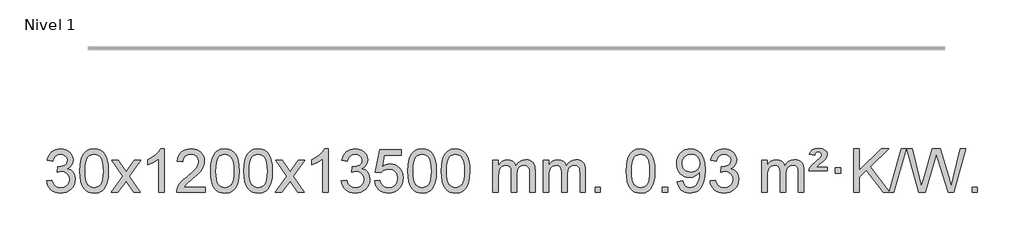
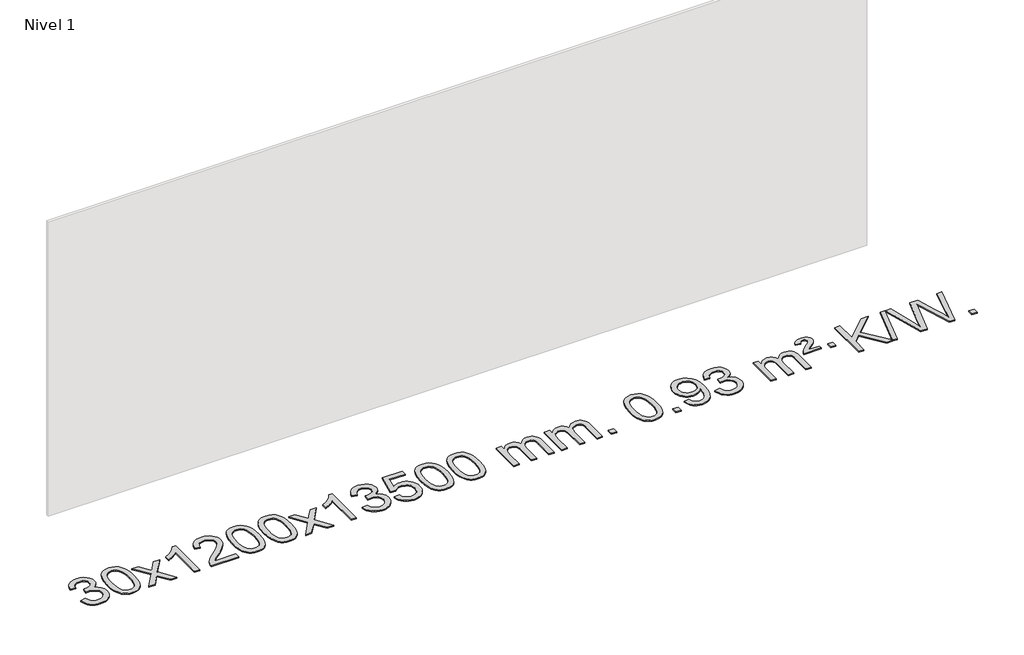
# One storey, part 18 of 18: 1 proxy.
"""IFC4 building model written with IfcOpenShell, lengths in millimetres."""

from ifc_helpers import new_model, si_unit, origin, origin_with_axes, place, context, project, spatial, polyline, outline, extrude, element, save

model = new_model("IFC4")

# Units and contexts
model_context = context("Model", 3, world=origin())
ifc_project = project(units=[si_unit("LENGTHUNIT", "METRE", prefix="MILLI")], contexts=[model_context])

# Site, building, storey
site = spatial("IfcSite", under=ifc_project)
building = spatial("IfcBuilding", under=site)
storey = spatial("IfcBuildingStorey", under=building, Name="Nivel 1", Elevation=0.0)

# Proxy
placement = place(None, origin())
element("IfcBuildingElementProxy", 1, Name="Texto de modelo 1", ObjectType="Texto de modelo 1", at=placement, inside=storey, context=model_context, shape_type="SweptSolid", body=[
    extrude(outline(polyline([(-617.6408852, 5740.1553765), (-567.4127301, 5746.4338959), (-556.1678038, 5714.8696207), (-539.6989532, 5693.5569905), (-517.1968378, 5681.4168846), (-487.8521173, 5677.3701827), (-453.4183626, 5682.9374636), (-439.1445412, 5689.8965646), (-426.832757, 5699.6393061), (-409.8366089, 5724.5571799), (-404.1712261, 5754.7725545), (-409.7875579, 5783.4550874), (-426.6365533, 5806.7174922), (-452.1430383, 5822.1317478), (-483.731839, 5827.269833), (-518.9504086, 5821.7761285), (-513.3586023, 5872.0042836), (-505.3142494, 5871.4156724), (-475.2215021, 5875.020916), (-448.3170656, 5885.8366466), (-437.2438175, 5894.0158897), (-429.3343546, 5904.1326445), (-424.5886769, 5916.1869112), (-423.0067843, 5930.1786898), (-427.5930465, 5951.8714648), (-441.3518331, 5969.4684869), (-462.3456323, 5981.1303461), (-488.6369322, 5985.0176325), (-514.9772831, 5981.0935579), (-536.5106425, 5969.3213341), (-552.2314665, 5949.700961), (-561.1342108, 5922.2324387), (-611.3623658, 5928.5109581), (-605.4088089, 5952.4907328), (-596.5735096, 5973.6132907), (-584.8564681, 5991.8786317), (-570.2576842, 6007.286756), (-553.2370106, 6019.5188323), (-534.2542996, 6028.2560297), (-513.3095514, 6033.4983481), (-490.4027658, 6035.2457876), (-458.8262279, 6031.7999596), (-429.8248639, 6021.4624755), (-405.372974, 6005.1530404), (-387.4448581, 5983.7913592), (-376.4451864, 5959.1800537), (-372.7786292, 5933.1217457), (-376.2612454, 5908.8415341), (-386.7090941, 5886.8176653), (-403.9750224, 5868.0556835), (-427.9118776, 5853.5611329), (-396.4702297, 5840.8569414), (-373.1710367, 5819.22548), (-358.7500625, 5789.8439714), (-353.9430711, 5753.8896377), (-356.3465668, 5728.4076782), (-363.5570539, 5704.9368069), (-375.5745324, 5683.4770238), (-392.3990023, 5664.028329), (-412.8961608, 5647.8905722), (-435.9317051, 5636.363603), (-461.5056351, 5629.4474215), (-489.6179509, 5627.1420276), (-515.026334, 5629.1101963), (-538.1783743, 5635.0147023), (-559.0740716, 5644.8555457), (-577.713426, 5658.6327264), (-593.3422794, 5675.5369041), (-605.2064738, 5694.7587383), (-613.306009, 5716.2982292), (-617.6408852, 5740.1553765)])), origin_with_axes(), (0.0, 0.0, 1.0), 10.0),
    extrude(outline(polyline([(-309.9934354, 5831.0958057), (-306.3023527, 5895.4138412), (-295.2291046, 5946.7088541), (-276.8840558, 5985.7656593), (-265.0259928, 6000.9990395), (-251.3775708, 6013.3690716), (-235.8928045, 6022.9401349), (-218.5257086, 6029.7766086), (-178.1445283, 6035.2457876), (-147.1933898, 6032.008426), (-119.4796128, 6022.2963414), (-96.3030471, 6006.4896783), (-78.9635424, 5984.9685816), (-65.8669434, 5957.9169922), (-55.4190947, 5925.5188512), (-48.5764896, 5884.3773814), (-46.2956212, 5831.0958057), (-49.9499157, 5767.1456523), (-60.9127992, 5715.9732667), (-79.1474834, 5676.8796734), (-90.9779552, 5661.6003078), (-104.6171802, 5649.1658964), (-120.1203406, 5639.5304538), (-137.5426188, 5632.6479948), (-178.1445283, 5627.1420276), (-205.8092543, 5629.5332606), (-230.3347207, 5636.7069595), (-251.7209273, 5648.6631243), (-269.9678743, 5665.4017551), (-287.4790573, 5695.6600492), (-299.9870451, 5733.3618224), (-307.4918378, 5778.5070745), (-309.9934354, 5831.0958057)]), holes=[polyline([(-259.7652803, 5831.1939076), (-258.2937523, 5787.5293805), (-253.8791684, 5752.1851178), (-246.5215285, 5725.1611196), (-236.2208326, 5706.4573858), (-223.7618957, 5693.7317344), (-209.9295327, 5684.6419835), (-194.7237436, 5679.1881329), (-178.1445283, 5677.3701827), (-161.5653131, 5679.1942643), (-146.3595239, 5684.6665089), (-132.5271609, 5693.7869167), (-120.068224, 5706.5554876), (-109.7675281, 5725.2898783), (-102.4098882, 5752.3077451), (-97.9953043, 5787.6090882), (-96.5237763, 5831.1939076), (-97.9462534, 5873.7026722), (-102.2136845, 5908.4246011), (-109.3260697, 5935.3596945), (-119.2834091, 5954.5079524), (-131.5338795, 5967.8559375), (-145.5256581, 5977.3902125), (-161.2587447, 5983.1107775), (-178.7331395, 5985.0176325), (-195.2265156, 5983.3376381), (-210.1747874, 5978.2976548), (-223.5779547, 5969.8976825), (-235.4360177, 5958.1377214), (-246.0800701, 5937.291075), (-253.6829647, 5909.1848906), (-258.2447014, 5873.8191681), (-259.7652803, 5831.1939076)])]), origin_with_axes(), (0.0, 0.0, 1.0), 10.0),
    extrude(outline(polyline([(-21.1815437, 5633.420547), (86.141897, 5781.7505675), (-14.9030243, 5928.5109581), (45.5277248, 5928.5109581), (94.2843519, 5857.877615), (117.0439846, 5824.5229808), (136.7624596, 5851.7952993), (192.2881154, 5928.5109581), (252.7188644, 5928.5109581), (146.5726461, 5781.7505675), (248.7947898, 5633.420547), (188.3640408, 5633.420547), (126.8541712, 5722.5951426), (115.5724566, 5738.8800523), (39.2492054, 5633.420547), (-21.1815437, 5633.420547)])), origin_with_axes(), (0.0, 0.0, 1.0), 10.0),
    extrude(outline(polyline([(468.5429683, 5633.420547), (418.3148132, 5633.420547), (418.3148132, 5946.5617013), (397.3455395, 5929.6023413), (370.7354085, 5912.6675068), (317.8585031, 5887.3081746), (317.8585031, 5934.7894775), (357.3077157, 5956.2492605), (391.483953, 5981.780271), (418.4251778, 6008.9299622), (436.1693527, 6035.2457876), (468.5429683, 6035.2457876), (468.5429683, 5633.420547)])), origin_with_axes(), (0.0, 0.0, 1.0), 10.0),
    extrude(outline(polyline([(845.2541313, 5683.6487021), (845.2541313, 5633.420547), (581.5563172, 5633.420547), (582.6599632, 5651.1034082), (586.9519198, 5668.0505055), (599.3372803, 5695.1143576), (617.4615999, 5721.3688693), (643.6793235, 5748.8496544), (680.3448956, 5779.5923264), (734.5461763, 5827.7358169), (767.0669446, 5863.2732176), (783.3273288, 5892.115166), (788.7474569, 5920.1722995), (783.6338971, 5945.3231653), (768.293218, 5966.2311253), (744.7119821, 5980.3210057), (714.8767523, 5985.0176325), (683.545469, 5980.4313703), (659.2039436, 5966.6725837), (643.4953825, 5944.8203932), (638.0629917, 5915.9539193), (587.8348366, 5922.2324387), (592.1543843, 5948.161988), (600.0117306, 5970.8173875), (611.4068754, 5990.1986373), (626.3398187, 6006.3057373), (644.4672041, 6018.9670093), (665.4456748, 6028.010775), (689.2752311, 6033.4370345), (715.9558728, 6035.2457876), (742.8756378, 6033.2346994), (766.8339527, 6027.2014346), (787.8308176, 6017.1459934), (805.8662324, 6003.0683758), (820.351586, 5986.0109139), (830.6982671, 5967.0159402), (836.9062757, 5946.0834547), (838.975612, 5923.2134573), (836.7437945, 5899.1907631), (830.0483422, 5875.5850017), (818.1657538, 5851.5745701), (800.3725279, 5826.3378653), (772.0088261, 5796.2083299), (728.4148097, 5757.5194067), (670.632811, 5709.204238), (647.9712801, 5683.6487021), (845.2541313, 5683.6487021)])), origin_with_axes(), (0.0, 0.0, 1.0), 10.0),
    extrude(outline(polyline([(895.4822864, 5831.0958057), (899.1733691, 5895.4138412), (910.2466172, 5946.7088541), (928.591666, 5985.7656593), (940.449729, 6000.9990395), (954.098151, 6013.3690716), (969.5829173, 6022.9401349), (986.9500131, 6029.7766086), (1027.3311935, 6035.2457876), (1058.282332, 6032.008426), (1085.996109, 6022.2963414), (1109.1726747, 6006.4896783), (1126.5121794, 5984.9685816), (1139.6087784, 5957.9169922), (1150.0566271, 5925.5188512), (1156.8992322, 5884.3773814), (1159.1801006, 5831.0958057), (1155.5258061, 5767.1456523), (1144.5629226, 5715.9732667), (1126.3282384, 5676.8796734), (1114.4977666, 5661.6003078), (1100.8585416, 5649.1658964), (1085.3553812, 5639.5304538), (1067.933103, 5632.6479948), (1027.3311935, 5627.1420276), (999.6664674, 5629.5332606), (975.1410011, 5636.7069595), (953.7547945, 5648.6631243), (935.5078475, 5665.4017551), (917.9966645, 5695.6600492), (905.4886767, 5733.3618224), (897.983884, 5778.5070745), (895.4822864, 5831.0958057)]), holes=[polyline([(945.7104415, 5831.1939076), (947.1819695, 5787.5293805), (951.5965534, 5752.1851178), (958.9541933, 5725.1611196), (969.2548892, 5706.4573858), (981.7138261, 5693.7317344), (995.5461891, 5684.6419835), (1010.7519782, 5679.1881329), (1027.3311935, 5677.3701827), (1043.9104087, 5679.1942643), (1059.1161979, 5684.6665089), (1072.9485609, 5693.7869167), (1085.4074978, 5706.5554876), (1095.7081937, 5725.2898783), (1103.0658336, 5752.3077451), (1107.4804175, 5787.6090882), (1108.9519455, 5831.1939076), (1107.5294684, 5873.7026722), (1103.2620373, 5908.4246011), (1096.1496521, 5935.3596945), (1086.1923127, 5954.5079524), (1073.9418423, 5967.8559375), (1059.9500637, 5977.3902125), (1044.2169771, 5983.1107775), (1026.7425823, 5985.0176325), (1010.2492062, 5983.3376381), (995.3009344, 5978.2976548), (981.8977671, 5969.8976825), (970.0397041, 5958.1377214), (959.3956517, 5937.291075), (951.7927571, 5909.1848906), (947.2310204, 5873.8191681), (945.7104415, 5831.1939076)])]), origin_with_axes(), (0.0, 0.0, 1.0), 10.0),
    extrude(outline(polyline([(1203.1297362, 5831.0958057), (1206.8208189, 5895.4138412), (1217.894067, 5946.7088541), (1236.2391158, 5985.7656593), (1248.0971788, 6000.9990395), (1261.7456008, 6013.3690716), (1277.2303671, 6022.9401349), (1294.597463, 6029.7766086), (1334.9786433, 6035.2457876), (1365.9297818, 6032.008426), (1393.6435588, 6022.2963414), (1416.8201245, 6006.4896783), (1434.1596292, 5984.9685816), (1447.2562282, 5957.9169922), (1457.7040769, 5925.5188512), (1464.546682, 5884.3773814), (1466.8275504, 5831.0958057), (1463.1732559, 5767.1456523), (1452.2103725, 5715.9732667), (1433.9756882, 5676.8796734), (1422.1452164, 5661.6003078), (1408.5059914, 5649.1658964), (1393.002831, 5639.5304538), (1375.5805529, 5632.6479948), (1334.9786433, 5627.1420276), (1307.3139173, 5629.5332606), (1282.7884509, 5636.7069595), (1261.4022443, 5648.6631243), (1243.1552973, 5665.4017551), (1225.6441144, 5695.6600492), (1213.1361265, 5733.3618224), (1205.6313338, 5778.5070745), (1203.1297362, 5831.0958057)]), holes=[polyline([(1253.3578913, 5831.1939076), (1254.8294193, 5787.5293805), (1259.2440032, 5752.1851178), (1266.6016432, 5725.1611196), (1276.902339, 5706.4573858), (1289.3612759, 5693.7317344), (1303.1936389, 5684.6419835), (1318.3994281, 5679.1881329), (1334.9786433, 5677.3701827), (1351.5578586, 5679.1942643), (1366.7636477, 5684.6665089), (1380.5960107, 5693.7869167), (1393.0549476, 5706.5554876), (1403.3556435, 5725.2898783), (1410.7132834, 5752.3077451), (1415.1278673, 5787.6090882), (1416.5993953, 5831.1939076), (1415.1769183, 5873.7026722), (1410.9094871, 5908.4246011), (1403.7971019, 5935.3596945), (1393.8397625, 5954.5079524), (1381.5892921, 5967.8559375), (1367.5975136, 5977.3902125), (1351.8644269, 5983.1107775), (1334.3900321, 5985.0176325), (1317.896656, 5983.3376381), (1302.9483843, 5978.2976548), (1289.5452169, 5969.8976825), (1277.6871539, 5958.1377214), (1267.0431015, 5937.291075), (1259.440207, 5909.1848906), (1254.8784702, 5873.8191681), (1253.3578913, 5831.1939076)])]), origin_with_axes(), (0.0, 0.0, 1.0), 10.0),
    extrude(outline(polyline([(1491.9416279, 5633.420547), (1599.2650687, 5781.7505675), (1498.2201473, 5928.5109581), (1558.6508964, 5928.5109581), (1607.4075235, 5857.877615), (1630.1671563, 5824.5229808), (1649.8856312, 5851.7952993), (1705.411287, 5928.5109581), (1765.8420361, 5928.5109581), (1659.6958177, 5781.7505675), (1761.9179615, 5633.420547), (1701.4872124, 5633.420547), (1639.9773428, 5722.5951426), (1628.6956283, 5738.8800523), (1552.372377, 5633.420547), (1491.9416279, 5633.420547)])), origin_with_axes(), (0.0, 0.0, 1.0), 10.0),
    extrude(outline(polyline([(1981.6661399, 5633.420547), (1931.4379848, 5633.420547), (1931.4379848, 5946.5617013), (1910.4687111, 5929.6023413), (1883.8585801, 5912.6675068), (1830.9816747, 5887.3081746), (1830.9816747, 5934.7894775), (1870.4308873, 5956.2492605), (1904.6071247, 5981.780271), (1931.5483494, 6008.9299622), (1949.2925243, 6035.2457876), (1981.6661399, 6035.2457876), (1981.6661399, 5633.420547)])), origin_with_axes(), (0.0, 0.0, 1.0), 10.0),
    extrude(outline(polyline([(2100.9580082, 5740.1553765), (2151.1861633, 5746.4338959), (2162.4310896, 5714.8696207), (2178.8999403, 5693.5569905), (2201.4020556, 5681.4168846), (2230.7467761, 5677.3701827), (2265.1805309, 5682.9374636), (2279.4543523, 5689.8965646), (2291.7661364, 5699.6393061), (2308.7622846, 5724.5571799), (2314.4276673, 5754.7725545), (2308.8113355, 5783.4550874), (2291.9623401, 5806.7174922), (2266.4558551, 5822.1317478), (2234.8670545, 5827.269833), (2199.6484848, 5821.7761285), (2205.2402911, 5872.0042836), (2213.2846441, 5871.4156724), (2243.3773913, 5875.020916), (2270.2818279, 5885.8366466), (2281.3550759, 5894.0158897), (2289.2645388, 5904.1326445), (2294.0102165, 5916.1869112), (2295.5921091, 5930.1786898), (2291.0058469, 5951.8714648), (2277.2470603, 5969.4684869), (2256.2532611, 5981.1303461), (2229.9619612, 5985.0176325), (2203.6216103, 5981.0935579), (2182.0882509, 5969.3213341), (2166.367427, 5949.700961), (2157.4646827, 5922.2324387), (2107.2365276, 5928.5109581), (2113.1900846, 5952.4907328), (2122.0253838, 5973.6132907), (2133.7424253, 5991.8786317), (2148.3412092, 6007.286756), (2165.3618828, 6019.5188323), (2184.3445938, 6028.2560297), (2205.289342, 6033.4983481), (2228.1961276, 6035.2457876), (2259.7726655, 6031.7999596), (2288.7740295, 6021.4624755), (2313.2259194, 6005.1530404), (2331.1540353, 5983.7913592), (2342.153707, 5959.1800537), (2345.8202642, 5933.1217457), (2342.337648, 5908.8415341), (2331.8897993, 5886.8176653), (2314.623871, 5868.0556835), (2290.6870159, 5853.5611329), (2322.1286637, 5840.8569414), (2345.4278567, 5819.22548), (2359.848831, 5789.8439714), (2364.6558224, 5753.8896377), (2362.2523267, 5728.4076782), (2355.0418395, 5704.9368069), (2343.024361, 5683.4770238), (2326.1998911, 5664.028329), (2305.7027326, 5647.8905722), (2282.6671884, 5636.363603), (2257.0932583, 5629.4474215), (2228.9809425, 5627.1420276), (2203.5725594, 5629.1101963), (2180.4205192, 5635.0147023), (2159.5248218, 5644.8555457), (2140.8854674, 5658.6327264), (2125.256614, 5675.5369041), (2113.3924196, 5694.7587383), (2105.2928844, 5716.2982292), (2100.9580082, 5740.1553765)])), origin_with_axes(), (0.0, 0.0, 1.0), 10.0),
    extrude(outline(polyline([(2408.605458, 5740.1553765), (2458.8336131, 5746.4338959), (2468.0551885, 5716.2798351), (2484.1438944, 5694.6851619), (2507.0261545, 5681.6989275), (2536.6283924, 5677.3701827), (2555.7582561, 5678.8754332), (2572.631777, 5683.3911847), (2587.2489549, 5690.9174372), (2599.6097899, 5701.4541906), (2609.4383706, 5714.480279), (2616.4587853, 5729.4745359), (2622.0751171, 5765.3675559), (2616.8144046, 5799.1636486), (2610.2385139, 5813.0818507), (2601.032267, 5825.0134901), (2589.165007, 5834.5845533), (2574.606077, 5841.4210271), (2537.4132073, 5846.8902061), (2513.0471565, 5844.7074396), (2493.3164188, 5838.1591401), (2477.5588067, 5828.1282243), (2465.1121325, 5815.4976092), (2414.8839774, 5821.7761285), (2458.8336131, 6028.9672682), (2653.467714, 6028.9672682), (2653.467714, 5978.7391131), (2499.4477854, 5978.7391131), (2477.9634769, 5868.080209), (2495.6892577, 5880.7844006), (2513.8442341, 5889.8588231), (2532.4284063, 5895.3034766), (2551.441774, 5897.1183612), (2575.902861, 5894.8681496), (2598.3712539, 5888.117515), (2618.8469526, 5876.8664573), (2637.3299572, 5861.1149766), (2652.6307825, 5841.8256973), (2663.5599434, 5819.961244), (2670.11744, 5795.5216168), (2672.3032722, 5768.5068156), (2670.3351035, 5742.4852958), (2664.4305975, 5718.2786606), (2654.5897541, 5695.8869098), (2640.8125734, 5675.3100435), (2619.9414015, 5654.2365366), (2595.5876135, 5639.1840316), (2567.7512092, 5630.1525286), (2536.4321886, 5627.1420276), (2510.5118364, 5629.0764738), (2487.0992131, 5634.8798123), (2466.1943187, 5644.552043), (2447.7971533, 5658.0931662), (2432.4901966, 5674.8287312), (2420.8559285, 5694.084288), (2412.894349, 5715.8598364), (2408.605458, 5740.1553765)])), origin_with_axes(), (0.0, 0.0, 1.0), 10.0),
    extrude(outline(polyline([(2716.2529079, 5831.0958057), (2719.9439906, 5895.4138412), (2731.0172386, 5946.7088541), (2749.3622874, 5985.7656593), (2761.2203504, 6000.9990395), (2774.8687724, 6013.3690716), (2790.3535388, 6022.9401349), (2807.7206346, 6029.7766086), (2848.1018149, 6035.2457876), (2879.0529535, 6032.008426), (2906.7667304, 6022.2963414), (2929.9432961, 6006.4896783), (2947.2828008, 5984.9685816), (2960.3793999, 5957.9169922), (2970.8272485, 5925.5188512), (2977.6698537, 5884.3773814), (2979.950722, 5831.0958057), (2976.2964275, 5767.1456523), (2965.3335441, 5715.9732667), (2947.0988599, 5676.8796734), (2935.268388, 5661.6003078), (2921.6291631, 5649.1658964), (2906.1260026, 5639.5304538), (2888.7037245, 5632.6479948), (2848.1018149, 5627.1420276), (2820.4370889, 5629.5332606), (2795.9116226, 5636.7069595), (2774.5254159, 5648.6631243), (2756.278469, 5665.4017551), (2738.767286, 5695.6600492), (2726.2592981, 5733.3618224), (2718.7545054, 5778.5070745), (2716.2529079, 5831.0958057)]), holes=[polyline([(2766.481063, 5831.1939076), (2767.9525909, 5787.5293805), (2772.3671749, 5752.1851178), (2779.7248148, 5725.1611196), (2790.0255106, 5706.4573858), (2802.4844475, 5693.7317344), (2816.3168106, 5684.6419835), (2831.5225997, 5679.1881329), (2848.1018149, 5677.3701827), (2864.6810302, 5679.1942643), (2879.8868193, 5684.6665089), (2893.7191824, 5693.7869167), (2906.1781193, 5706.5554876), (2916.4788151, 5725.2898783), (2923.836455, 5752.3077451), (2928.251039, 5787.6090882), (2929.7225669, 5831.1939076), (2928.3000899, 5873.7026722), (2924.0326588, 5908.4246011), (2916.9202735, 5935.3596945), (2906.9629342, 5954.5079524), (2894.7124637, 5967.8559375), (2880.7206852, 5977.3902125), (2864.9875985, 5983.1107775), (2847.5132038, 5985.0176325), (2831.0198276, 5983.3376381), (2816.0715559, 5978.2976548), (2802.6683885, 5969.8976825), (2790.8103256, 5958.1377214), (2780.1662732, 5937.291075), (2772.5633786, 5909.1848906), (2768.0016419, 5873.8191681), (2766.481063, 5831.1939076)])]), origin_with_axes(), (0.0, 0.0, 1.0), 10.0),
    extrude(outline(polyline([(3023.9003577, 5831.0958057), (3027.5914404, 5895.4138412), (3038.6646885, 5946.7088541), (3057.0097373, 5985.7656593), (3068.8678003, 6000.9990395), (3082.5162223, 6013.3690716), (3098.0009886, 6022.9401349), (3115.3680844, 6029.7766086), (3155.7492648, 6035.2457876), (3186.7004033, 6032.008426), (3214.4141803, 6022.2963414), (3237.590746, 6006.4896783), (3254.9302507, 5984.9685816), (3268.0268497, 5957.9169922), (3278.4746984, 5925.5188512), (3285.3173035, 5884.3773814), (3287.5981719, 5831.0958057), (3283.9438774, 5767.1456523), (3272.9809939, 5715.9732667), (3254.7463097, 5676.8796734), (3242.9158379, 5661.6003078), (3229.2766129, 5649.1658964), (3213.7734525, 5639.5304538), (3196.3511743, 5632.6479948), (3155.7492648, 5627.1420276), (3128.0845387, 5629.5332606), (3103.5590724, 5636.7069595), (3082.1728657, 5648.6631243), (3063.9259188, 5665.4017551), (3046.4147358, 5695.6600492), (3033.906748, 5733.3618224), (3026.4019553, 5778.5070745), (3023.9003577, 5831.0958057)]), holes=[polyline([(3074.1285128, 5831.1939076), (3075.6000408, 5787.5293805), (3080.0146247, 5752.1851178), (3087.3722646, 5725.1611196), (3097.6729605, 5706.4573858), (3110.1318974, 5693.7317344), (3123.9642604, 5684.6419835), (3139.1700495, 5679.1881329), (3155.7492648, 5677.3701827), (3172.32848, 5679.1942643), (3187.5342692, 5684.6665089), (3201.3666322, 5693.7869167), (3213.8255691, 5706.5554876), (3224.126265, 5725.2898783), (3231.4839049, 5752.3077451), (3235.8984888, 5787.6090882), (3237.3700168, 5831.1939076), (3235.9475397, 5873.7026722), (3231.6801086, 5908.4246011), (3224.5677233, 5935.3596945), (3214.610384, 5954.5079524), (3202.3599136, 5967.8559375), (3188.368135, 5977.3902125), (3172.6350484, 5983.1107775), (3155.1606536, 5985.0176325), (3138.6672775, 5983.3376381), (3123.7190057, 5978.2976548), (3110.3158384, 5969.8976825), (3098.4577754, 5958.1377214), (3087.813723, 5937.291075), (3080.2108284, 5909.1848906), (3075.6490917, 5873.8191681), (3074.1285128, 5831.1939076)])]), origin_with_axes(), (0.0, 0.0, 1.0), 10.0),
    extrude(outline(polyline([(3501.0678309, 5633.420547), (3501.0678309, 5928.5109581), (3551.295986, 5928.5109581), (3551.295986, 5879.9505347), (3566.4036733, 5902.2564463), (3585.8278426, 5919.7308411), (3608.9063064, 5931.0248184), (3634.9768772, 5934.7894775), (3662.9113833, 5930.951242), (3685.3031341, 5919.4365355), (3702.0295022, 5901.0056476), (3712.9678601, 5876.4188676), (3731.2761208, 5901.9560094), (3752.1595554, 5920.196825), (3775.6181639, 5931.1413143), (3801.6519464, 5934.7894775), (3821.7597632, 5933.2719642), (3839.4089019, 5928.7194245), (3854.5993626, 5921.1318584), (3867.3311453, 5910.5092658), (3877.3957836, 5896.7290194), (3884.5848109, 5879.6684918), (3888.8982273, 5859.3276832), (3890.3360328, 5835.7065934), (3890.3360328, 5633.420547), (3840.1078777, 5633.420547), (3840.1078777, 5814.124183), (3838.942918, 5839.1769469), (3835.4480391, 5856.0627305), (3828.8997396, 5867.6264879), (3818.5745182, 5876.7131732), (3805.2939782, 5882.5992851), (3789.8797226, 5884.5613224), (3762.6687177, 5879.5336018), (3740.4854334, 5864.45044), (3731.8800604, 5852.8805512), (3725.7333654, 5838.2817674), (3720.8160094, 5799.9975144), (3720.8160094, 5633.420547), (3670.5878543, 5633.420547), (3670.5878543, 5819.7159894), (3667.6815865, 5848.1164794), (3658.9627833, 5868.3745146), (3643.6221041, 5880.5146204), (3620.8502086, 5884.5613224), (3601.4996156, 5881.8635211), (3583.6696016, 5873.7701172), (3568.9543218, 5860.4773144), (3558.9479315, 5842.1813165), (3553.2089724, 5816.7974589), (3551.295986, 5782.2410768), (3551.295986, 5633.420547), (3501.0678309, 5633.420547)])), origin_with_axes(), (0.0, 0.0, 1.0), 10.0),
    extrude(outline(polyline([(3965.6782654, 5633.420547), (3965.6782654, 5928.5109581), (4015.9064204, 5928.5109581), (4015.9064204, 5879.9505347), (4031.0141077, 5902.2564463), (4050.4382771, 5919.7308411), (4073.5167409, 5931.0248184), (4099.5873116, 5934.7894775), (4127.5218178, 5930.951242), (4149.9135685, 5919.4365355), (4166.6399366, 5901.0056476), (4177.5782946, 5876.4188676), (4195.8865552, 5901.9560094), (4216.7699898, 5920.196825), (4240.2285984, 5931.1413143), (4266.2623809, 5934.7894775), (4286.3701976, 5933.2719642), (4304.0193363, 5928.7194245), (4319.209797, 5921.1318584), (4331.9415798, 5910.5092658), (4342.006218, 5896.7290194), (4349.1952453, 5879.6684918), (4353.5086617, 5859.3276832), (4354.9464672, 5835.7065934), (4354.9464672, 5633.420547), (4304.7183121, 5633.420547), (4304.7183121, 5814.124183), (4303.5533525, 5839.1769469), (4300.0584735, 5856.0627305), (4293.510174, 5867.6264879), (4283.1849527, 5876.7131732), (4269.9044126, 5882.5992851), (4254.490157, 5884.5613224), (4227.2791521, 5879.5336018), (4205.0958678, 5864.45044), (4196.4904948, 5852.8805512), (4190.3437998, 5838.2817674), (4185.4264438, 5799.9975144), (4185.4264438, 5633.420547), (4135.1982887, 5633.420547), (4135.1982887, 5819.7159894), (4132.292021, 5848.1164794), (4123.5732177, 5868.3745146), (4108.2325385, 5880.5146204), (4085.460643, 5884.5613224), (4066.11005, 5881.8635211), (4048.280036, 5873.7701172), (4033.5647562, 5860.4773144), (4023.5583659, 5842.1813165), (4017.8194068, 5816.7974589), (4015.9064204, 5782.2410768), (4015.9064204, 5633.420547), (3965.6782654, 5633.420547)])), origin_with_axes(), (0.0, 0.0, 1.0), 10.0),
    extrude(outline(polyline([(4442.8457386, 5633.420547), (4442.8457386, 5683.6487021), (4493.0738936, 5683.6487021), (4493.0738936, 5633.420547), (4442.8457386, 5633.420547)])), origin_with_axes(), (0.0, 0.0, 1.0), 10.0),
    extrude(outline(polyline([(4731.6576303, 5831.0958057), (4735.3487129, 5895.4138412), (4746.421961, 5946.7088541), (4764.7670098, 5985.7656593), (4776.6250728, 6000.9990395), (4790.2734948, 6013.3690716), (4805.7582611, 6022.9401349), (4823.125357, 6029.7766086), (4863.5065373, 6035.2457876), (4894.4576759, 6032.008426), (4922.1714528, 6022.2963414), (4945.3480185, 6006.4896783), (4962.6875232, 5984.9685816), (4975.7841223, 5957.9169922), (4986.2319709, 5925.5188512), (4993.074576, 5884.3773814), (4995.3554444, 5831.0958057), (4991.7011499, 5767.1456523), (4980.7382665, 5715.9732667), (4962.5035822, 5676.8796734), (4950.6731104, 5661.6003078), (4937.0338854, 5649.1658964), (4921.530725, 5639.5304538), (4904.1084469, 5632.6479948), (4863.5065373, 5627.1420276), (4835.8418113, 5629.5332606), (4811.3163449, 5636.7069595), (4789.9301383, 5648.6631243), (4771.6831913, 5665.4017551), (4754.1720084, 5695.6600492), (4741.6640205, 5733.3618224), (4734.1592278, 5778.5070745), (4731.6576303, 5831.0958057)]), holes=[polyline([(4781.8857853, 5831.1939076), (4783.3573133, 5787.5293805), (4787.7718973, 5752.1851178), (4795.1295372, 5725.1611196), (4805.430233, 5706.4573858), (4817.8891699, 5693.7317344), (4831.7215329, 5684.6419835), (4846.9273221, 5679.1881329), (4863.5065373, 5677.3701827), (4880.0857526, 5679.1942643), (4895.2915417, 5684.6665089), (4909.1239047, 5693.7869167), (4921.5828416, 5706.5554876), (4931.8835375, 5725.2898783), (4939.2411774, 5752.3077451), (4943.6557613, 5787.6090882), (4945.1272893, 5831.1939076), (4943.7048123, 5873.7026722), (4939.4373811, 5908.4246011), (4932.3249959, 5935.3596945), (4922.3676566, 5954.5079524), (4910.1171861, 5967.8559375), (4896.1254076, 5977.3902125), (4880.3923209, 5983.1107775), (4862.9179261, 5985.0176325), (4846.42455, 5983.3376381), (4831.4762783, 5978.2976548), (4818.0731109, 5969.8976825), (4806.2150479, 5958.1377214), (4795.5709955, 5937.291075), (4787.968101, 5909.1848906), (4783.4063642, 5873.8191681), (4781.8857853, 5831.1939076)])]), origin_with_axes(), (0.0, 0.0, 1.0), 10.0),
    extrude(outline(polyline([(5064.4191576, 5633.420547), (5064.4191576, 5683.6487021), (5114.6473127, 5683.6487021), (5114.6473127, 5633.420547), (5064.4191576, 5633.420547)])), origin_with_axes(), (0.0, 0.0, 1.0), 10.0),
    extrude(outline(polyline([(5202.5465841, 5733.8768572), (5252.7747392, 5740.1553765), (5261.3586524, 5711.6445219), (5275.3381682, 5692.2326153), (5294.3699301, 5681.0857908), (5318.1105815, 5677.3701827), (5339.410949, 5679.7614157), (5358.7738047, 5686.9351146), (5374.8625106, 5698.1064645), (5386.3404289, 5712.4906505), (5402.7724913, 5756.1459806), (5408.2171449, 5784.5464706), (5410.0320294, 5814.4184886), (5409.7377238, 5824.2286752), (5392.3369054, 5802.9896213), (5369.5650099, 5786.1651514), (5343.0652435, 5775.2022679), (5314.4808125, 5771.5479735), (5290.6205994, 5773.7797909), (5268.6795041, 5780.4752432), (5248.6575265, 5791.6343304), (5230.5546666, 5807.2570525), (5215.5542783, 5826.5279376), (5204.8397152, 5848.6315142), (5198.4109773, 5873.5677821), (5196.2680647, 5901.3367414), (5198.5152105, 5930.031537), (5205.2566481, 5955.7832766), (5216.4923774, 5978.5919603), (5232.2223984, 5998.4575881), (5251.3369337, 6014.5524254), (5272.726206, 6026.0487377), (5296.3902154, 6032.9465251), (5322.3289617, 6035.2457876), (5359.7916116, 6029.9973378), (5393.8942725, 6014.2519884), (5422.4173899, 5988.7945543), (5443.1414089, 5954.4098505), (5455.7597614, 5906.8794968), (5459.9658788, 5841.9851128), (5455.7720241, 5773.178917), (5443.1904599, 5719.9954432), (5422.3315507, 5680.0311958), (5408.8394786, 5664.1049711), (5393.3056613, 5650.882679), (5376.0427987, 5640.496144), (5357.3635904, 5633.0771905), (5315.7561367, 5627.1420276), (5293.1988391, 5628.8925328), (5272.8120452, 5634.1440483), (5254.595755, 5642.8965741), (5238.5499687, 5655.1501102), (5225.0793563, 5670.5735628), (5214.5885881, 5688.8358382), (5207.077664, 5709.9369363), (5202.5465841, 5733.8768572)]), holes=[polyline([(5409.7377238, 5902.5139637), (5404.3175957, 5936.555311), (5397.5424356, 5950.6329287), (5388.0572115, 5962.7485091), (5376.3279072, 5972.4912506), (5362.8205066, 5979.4503517), (5330.4714165, 5985.0176325), (5312.8621317, 5983.5185134), (5296.9205786, 5979.021156), (5282.6467572, 5971.5255604), (5270.0406675, 5961.0317264), (5259.7399716, 5948.1527909), (5252.3823317, 5933.5018905), (5247.9677478, 5917.0790251), (5246.4962198, 5898.8841947), (5252.0635006, 5867.8472171), (5259.0226017, 5854.7291583), (5268.7653432, 5843.2113861), (5280.887055, 5833.8334609), (5294.9830667, 5827.1349429), (5329.0979904, 5821.7761285), (5361.1895631, 5827.1349429), (5387.0271419, 5843.2113861), (5396.9630215, 5854.9560188), (5404.0600783, 5868.7546593), (5409.7377238, 5902.5139637)])]), origin_with_axes(), (0.0, 0.0, 1.0), 10.0),
    extrude(outline(polyline([(5503.9155145, 5740.1553765), (5554.1436696, 5746.4338959), (5565.3885959, 5714.8696207), (5581.8574466, 5693.5569905), (5604.3595619, 5681.4168846), (5633.7042824, 5677.3701827), (5668.1380372, 5682.9374636), (5682.4118586, 5689.8965646), (5694.7236427, 5699.6393061), (5711.7197909, 5724.5571799), (5717.3851736, 5754.7725545), (5711.7688418, 5783.4550874), (5694.9198464, 5806.7174922), (5669.4133614, 5822.1317478), (5637.8245608, 5827.269833), (5602.6059911, 5821.7761285), (5608.1977974, 5872.0042836), (5616.2421504, 5871.4156724), (5646.3348976, 5875.020916), (5673.2393342, 5885.8366466), (5684.3125822, 5894.0158897), (5692.2220451, 5904.1326445), (5696.9677229, 5916.1869112), (5698.5496154, 5930.1786898), (5693.9633532, 5951.8714648), (5680.2045666, 5969.4684869), (5659.2107674, 5981.1303461), (5632.9194675, 5985.0176325), (5606.5791166, 5981.0935579), (5585.0457572, 5969.3213341), (5569.3249333, 5949.700961), (5560.422189, 5922.2324387), (5510.1940339, 5928.5109581), (5516.1475909, 5952.4907328), (5524.9828901, 5973.6132907), (5536.6999317, 5991.8786317), (5551.2987155, 6007.286756), (5568.3193892, 6019.5188323), (5587.3021001, 6028.2560297), (5608.2468484, 6033.4983481), (5631.1536339, 6035.2457876), (5662.7301718, 6031.7999596), (5691.7315358, 6021.4624755), (5716.1834257, 6005.1530404), (5734.1115416, 5983.7913592), (5745.1112133, 5959.1800537), (5748.7777705, 5933.1217457), (5745.2951543, 5908.8415341), (5734.8473056, 5886.8176653), (5717.5813773, 5868.0556835), (5693.6445222, 5853.5611329), (5725.08617, 5840.8569414), (5748.3853631, 5819.22548), (5762.8063373, 5789.8439714), (5767.6133287, 5753.8896377), (5765.209833, 5728.4076782), (5757.9993459, 5704.9368069), (5745.9818674, 5683.4770238), (5729.1573974, 5664.028329), (5708.6602389, 5647.8905722), (5685.6246947, 5636.363603), (5660.0507646, 5629.4474215), (5631.9384489, 5627.1420276), (5606.5300657, 5629.1101963), (5583.3780255, 5635.0147023), (5562.4823282, 5644.8555457), (5543.8429737, 5658.6327264), (5528.2141203, 5675.5369041), (5516.349926, 5694.7587383), (5508.2503907, 5716.2982292), (5503.9155145, 5740.1553765)])), origin_with_axes(), (0.0, 0.0, 1.0), 10.0),
    extrude(outline(polyline([(5981.0829877, 5633.420547), (5981.0829877, 5928.5109581), (6031.3111428, 5928.5109581), (6031.3111428, 5879.9505347), (6046.4188301, 5902.2564463), (6065.8429994, 5919.7308411), (6088.9214633, 5931.0248184), (6114.992034, 5934.7894775), (6142.9265402, 5930.951242), (6165.3182909, 5919.4365355), (6182.044659, 5901.0056476), (6192.983017, 5876.4188676), (6211.2912776, 5901.9560094), (6232.1747122, 5920.196825), (6255.6333207, 5931.1413143), (6281.6671033, 5934.7894775), (6301.77492, 5933.2719642), (6319.4240587, 5928.7194245), (6334.6145194, 5921.1318584), (6347.3463021, 5910.5092658), (6357.4109404, 5896.7290194), (6364.5999677, 5879.6684918), (6368.9133841, 5859.3276832), (6370.3511896, 5835.7065934), (6370.3511896, 5633.420547), (6320.1230345, 5633.420547), (6320.1230345, 5814.124183), (6318.9580748, 5839.1769469), (6315.4631959, 5856.0627305), (6308.9148964, 5867.6264879), (6298.589675, 5876.7131732), (6285.309135, 5882.5992851), (6269.8948794, 5884.5613224), (6242.6838745, 5879.5336018), (6220.5005902, 5864.45044), (6211.8952172, 5852.8805512), (6205.7485222, 5838.2817674), (6200.8311662, 5799.9975144), (6200.8311662, 5633.420547), (6150.6030111, 5633.420547), (6150.6030111, 5819.7159894), (6147.6967434, 5848.1164794), (6138.9779401, 5868.3745146), (6123.6372609, 5880.5146204), (6100.8653654, 5884.5613224), (6081.5147724, 5881.8635211), (6063.6847584, 5873.7701172), (6048.9694786, 5860.4773144), (6038.9630883, 5842.1813165), (6033.2241292, 5816.7974589), (6031.3111428, 5782.2410768), (6031.3111428, 5633.420547), (5981.0829877, 5633.420547)])), origin_with_axes(), (0.0, 0.0, 1.0), 10.0),
    extrude(outline(polyline([(6414.3008253, 5834.3331673), (6418.126798, 5850.1520931), (6426.4654566, 5866.0200698), (6447.9742906, 5891.1586728), (6479.9309732, 5918.8969753), (6524.0768126, 5956.273786), (6531.2137233, 5967.8007552), (6533.5926936, 5979.6220299), (6531.7042327, 5991.7130848), (6526.0388499, 6001.4987459), (6516.6701218, 6007.973469), (6503.6716246, 6010.1317101), (6491.2372132, 6008.5130293), (6482.3835198, 6003.656987), (6475.9578477, 5994.1901569), (6470.8074997, 5978.7391131), (6420.5793446, 5985.0176325), (6431.4196008, 6010.2298119), (6448.047867, 6027.7900458), (6471.8130438, 6038.0907417), (6504.0640321, 6041.524307), (6539.8466875, 6037.3917659), (6564.592883, 6024.9941427), (6579.0138572, 6006.6613566), (6583.8208486, 5984.7233269), (6579.7250958, 5961.8165414), (6567.4378371, 5940.1850801), (6546.9100218, 5920.3685032), (6510.4406533, 5892.3113697), (6484.8360665, 5865.7257642), (6583.8208486, 5865.7257642), (6583.8208486, 5834.3331673), (6414.3008253, 5834.3331673)])), origin_with_axes(), (0.0, 0.0, 1.0), 10.0),
    extrude(outline(polyline([(6659.1630812, 5809.2190898), (6659.1630812, 5859.4472448), (6709.3912363, 5859.4472448), (6709.3912363, 5809.2190898), (6659.1630812, 5809.2190898)])), origin_with_axes(), (0.0, 0.0, 1.0), 10.0),
    extrude(outline(polyline([(7100.0328643, 5633.420547), (6946.6015468, 5836.0990009), (6878.9112597, 5771.5479735), (6878.9112597, 5633.420547), (6828.6831046, 5633.420547), (6828.6831046, 6035.2457876), (6878.9112597, 6035.2457876), (6878.9112597, 5838.5515475), (7084.925177, 6035.2457876), (7155.1661126, 6035.2457876), (6982.2125239, 5870.0422463), (7156.8661338, 5639.4650668), (7268.1794615, 6035.2457876), (7313.5025233, 6035.2457876), (7200.4891744, 5633.420547), (7161.444632, 5633.420547), (7155.1661126, 5633.420547), (7100.0328643, 5633.420547)])), origin_with_axes(), (0.0, 0.0, 1.0), 10.0),
    extrude(outline(polyline([(7427.9874002, 5633.420547), (7318.4076166, 6035.2457876), (7370.2054015, 6035.2457876), (7433.7754103, 5771.155566), (7453.3957834, 5689.6329159), (7474.3895826, 5761.7377869), (7554.0482973, 6035.2457876), (7628.7038168, 6035.2457876), (7686.5839174, 5836.9819177), (7711.3791639, 5763.4055186), (7729.6506363, 5689.6329159), (7748.6823982, 5768.8011212), (7812.8410181, 6035.2457876), (7864.638803, 6035.2457876), (7754.9609175, 5633.420547), (7701.2991972, 5633.420547), (7604.9631654, 5943.4224416), (7591.5232098, 5986.6853642), (7576.4155226, 5934.5932737), (7488.614353, 5633.420547), (7427.9874002, 5633.420547)])), origin_with_axes(), (0.0, 0.0, 1.0), 10.0),
    extrude(outline(polyline([(7921.1454775, 5633.420547), (7921.1454775, 5683.6487021), (7971.3736326, 5683.6487021), (7971.3736326, 5633.420547), (7921.1454775, 5633.420547)])), origin_with_axes(), (0.0, 0.0, 1.0), 10.0),
])

save(model, "model.ifc")
